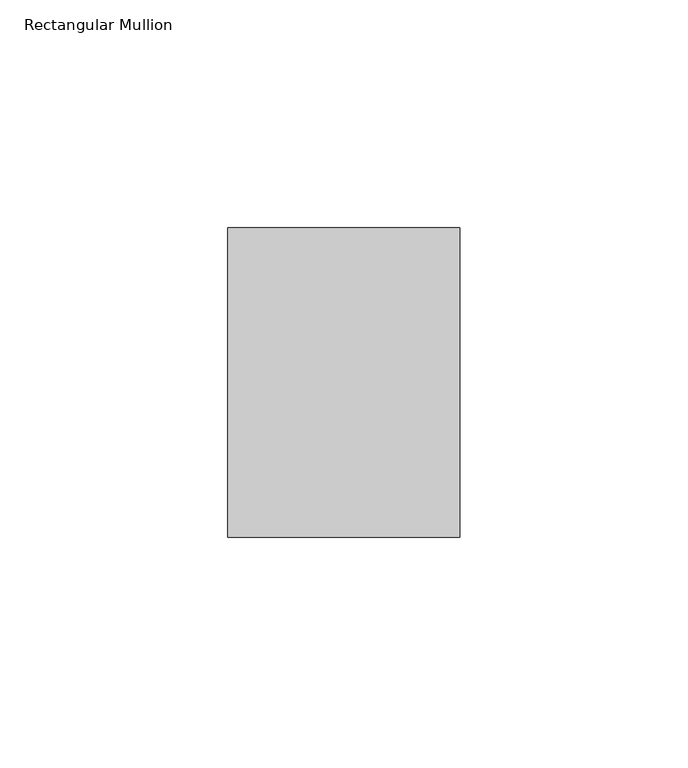
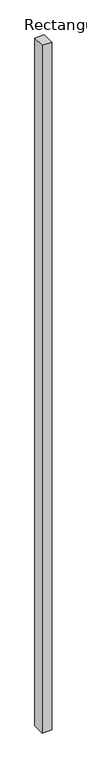
"""IFC4 building model written with IfcOpenShell, lengths in millimetres: member geometry, Rectangular Mullion."""

import ifcopenshell
import ifcopenshell.guid

model = None  # the IFC model being written
_history = None  # IfcOwnerHistory: only IFC2X3 demands one
_inside = {}  # id of a spatial element -> (the spatial element, [elements in it])
_under = {}  # id of a project, library or spatial element -> (it, [spatial elements below it])
_declared = {}  # id of a project -> (the project, [libraries it declares])
_typed = {}  # id of a type object -> (the type object, [elements of that type])
_made_of = {}  # id of a material, layer set ... -> (it, [elements and type objects made of it])


def new_model(schema):
    """Start an empty IFC model of exactly this schema.

    Asked for "IFC4X3", IfcOpenShell would pick the latest addendum, in which some entities
    have other attributes; the version numbers below select the first issue.
    IFC2X3 requires an IfcOwnerHistory on every rooted entity: one is made here for all.
    """
    global model, _history
    if schema == "IFC4X3":
        model = ifcopenshell.file(schema_version=(4, 3, 0, 0))
    else:
        model = ifcopenshell.file(schema=schema)
    _inside.clear()
    _under.clear()
    _declared.clear()
    _typed.clear()
    _made_of.clear()
    _history = None
    if model.schema == "IFC2X3":
        org = make("IfcOrganization", Name="unknown")
        user = make(
            "IfcPersonAndOrganization",
            ThePerson=make("IfcPerson", FamilyName="unknown"),
            TheOrganization=org,
        )
        app = make(
            "IfcApplication",
            ApplicationDeveloper=org,
            Version="unknown",
            ApplicationFullName="unknown",
            ApplicationIdentifier="unknown",
        )
        _history = make(
            "IfcOwnerHistory",
            OwningUser=user,
            OwningApplication=app,
            ChangeAction="ADDED",
            CreationDate=0,
        )
    return model


def make(cls, **values):
    """One entity of the class cls with the attributes given. An attribute that is None is left unset."""
    return model.create_entity(
        cls, **{name: value for name, value in values.items() if value is not None}
    )


def rooted(cls, **values):
    """An entity with a GlobalId (a new one), such as an element, a storey or a relation."""
    return make(cls, GlobalId=ifcopenshell.guid.new(), OwnerHistory=_history, **values)


def si_unit(unit_type, name, prefix=None):
    """IfcSIUnit, for example si_unit("LENGTHUNIT", "METRE", prefix="MILLI")."""
    return make("IfcSIUnit", UnitType=unit_type, Prefix=prefix, Name=name)


def assignment(units):
    """IfcUnitAssignment: the units of a project."""
    return None if units is None else make("IfcUnitAssignment", Units=units)


def point(xyz):
    """IfcCartesianPoint."""
    return None if xyz is None else make("IfcCartesianPoint", Coordinates=xyz)


def direction(xyz):
    """IfcDirection."""
    return None if xyz is None else make("IfcDirection", DirectionRatios=xyz)


def frame(location, z_axis=None, x_axis=None):
    """IfcAxis2Placement3D, a coordinate frame: its origin and axes. An axis left out is left unset."""
    return make(
        "IfcAxis2Placement3D",
        Location=point(location),
        Axis=direction(z_axis),
        RefDirection=direction(x_axis),
    )


def origin():
    """The frame at (0, 0, 0) with its axes left unset."""
    return frame((0.0, 0.0, 0.0))


def place(relative_to, where):
    """IfcLocalPlacement: puts the frame where relative to a parent placement (None: the world)."""
    return make(
        "IfcLocalPlacement", PlacementRelTo=relative_to, RelativePlacement=where
    )


def context(
    kind, dimensions, precision=None, world=None, true_north=None, identifier=None
):
    """IfcGeometricRepresentationContext, for example the 3D "Model" context."""
    return make(
        "IfcGeometricRepresentationContext",
        ContextIdentifier=identifier,
        ContextType=kind,
        CoordinateSpaceDimension=dimensions,
        Precision=precision,
        WorldCoordinateSystem=world,
        TrueNorth=true_north,
    )


def project(units=None, contexts=None):
    """IfcProject with its units and contexts."""
    return rooted(
        "IfcProject",
        Name="project",
        RepresentationContexts=contexts,
        UnitsInContext=assignment(units),
    )


def spatial(cls, under=None, at=None, **own):
    """A site, building, storey or space (cls), placed at a placement, below another one or the project."""
    s = rooted(cls, ObjectPlacement=at, **own)
    if under is not None:
        _under.setdefault(under.id(), (under, []))[1].append(s)
    return s


def polyline(points):
    """IfcPolyline through the points."""
    return make("IfcPolyline", Points=[point(p) for p in points])


def outline(outer, holes=None, kind="AREA"):
    """IfcArbitraryClosedProfileDef: a profile drawn as a closed curve; with holes, ...WithVoids."""
    if holes is None:
        return make("IfcArbitraryClosedProfileDef", ProfileType=kind, OuterCurve=outer)
    return make(
        "IfcArbitraryProfileDefWithVoids",
        ProfileType=kind,
        OuterCurve=outer,
        InnerCurves=holes,
    )


def extrude(swept, where, along, depth):
    """IfcExtrudedAreaSolid: the profile swept, set in the frame where, extruded along a direction by depth."""
    return make(
        "IfcExtrudedAreaSolid",
        SweptArea=swept,
        Position=where,
        ExtrudedDirection=direction(along),
        Depth=depth,
    )


def shape(context_of_items, identifier, shape_type, items):
    """IfcShapeRepresentation: the items that make up one representation, for example the "Body"."""
    return make(
        "IfcShapeRepresentation",
        ContextOfItems=context_of_items,
        RepresentationIdentifier=identifier,
        RepresentationType=shape_type,
        Items=items,
    )


def source(mapping_origin, context_of_items, identifier, shape_type, items):
    """IfcRepresentationMap: a shape defined once, which mapped items show again and again."""
    return make(
        "IfcRepresentationMap",
        MappingOrigin=mapping_origin,
        MappedRepresentation=shape(context_of_items, identifier, shape_type, items),
    )


def transform(
    local_origin,
    x_axis=None,
    y_axis=None,
    z_axis=None,
    scale=None,
    scale2=None,
    scale3=None,
    uniform=True,
):
    """IfcCartesianTransformationOperator3D, or its non-uniform kind. x_axis, y_axis, z_axis: its Axis1, 2, 3."""
    if uniform:
        return make(
            "IfcCartesianTransformationOperator3D",
            Axis1=direction(x_axis),
            Axis2=direction(y_axis),
            LocalOrigin=point(local_origin),
            Scale=scale,
            Axis3=direction(z_axis),
        )
    return make(
        "IfcCartesianTransformationOperator3DnonUniform",
        Axis1=direction(x_axis),
        Axis2=direction(y_axis),
        LocalOrigin=point(local_origin),
        Scale=scale,
        Axis3=direction(z_axis),
        Scale2=scale2,
        Scale3=scale3,
    )


def mapped(mapping_source, mapping_target):
    """IfcMappedItem: shows the shape of a source again, moved by a transform."""
    return make(
        "IfcMappedItem", MappingSource=mapping_source, MappingTarget=mapping_target
    )


def made_of(thing, what):
    """Note that an element or type object is made of a material, layer set ...; save() writes the relation."""
    if what is not None:
        _made_of.setdefault(what.id(), (what, []))[1].append(thing)
    return thing


def element(
    cls,
    number,
    at=None,
    inside=None,
    cuts=None,
    type_object=None,
    material=None,
    context=None,
    identifier="Body",
    shape_type=None,
    held_by="IfcProductDefinitionShape",
    body=None,
    shapes=None,
    **own,
):
    """One element of the class cls, such as IfcWall. Its Tag is "e" and its number.

    at: its placement. inside: the storey or other place that contains it. cuts: it is an
    opening in that element (IfcRelVoidsElement). A single representation is given by context,
    identifier, shape_type and body (its items); several are given by shapes. held_by: the class
    of the entity that holds the representations. save() writes the other relations.
    """
    e = rooted(cls, Tag="e%d" % number, ObjectPlacement=at, **own)
    if body is not None:
        shapes = [shape(context, identifier, shape_type, body)]
    if shapes is not None:
        e.Representation = make(held_by, Representations=shapes)
    if inside is not None:
        _inside.setdefault(inside.id(), (inside, []))[1].append(e)
    if cuts is not None:
        rooted(
            "IfcRelVoidsElement", RelatingBuildingElement=cuts, RelatedOpeningElement=e
        )
    if type_object is not None:
        _typed.setdefault(type_object.id(), (type_object, []))[1].append(e)
    return made_of(e, material)


def aggregate(whole, parts):
    """IfcRelAggregates: a whole, such as a stair, and the parts it consists of."""
    return rooted("IfcRelAggregates", RelatingObject=whole, RelatedObjects=parts)


def save(model, path):
    """Write the relations noted so far, then the file.

    IfcRelAggregates (storeys below a building ...), IfcRelContainedInSpatialStructure (elements
    in a storey), IfcRelDefinesByType, IfcRelAssociatesMaterial and IfcRelDeclares: one each for
    every whole, place, type object, material and project.
    """
    for whole, parts in _under.values():
        aggregate(whole, parts)
    for where, things in _inside.values():
        rooted(
            "IfcRelContainedInSpatialStructure",
            RelatedElements=things,
            RelatingStructure=where,
        )
    for kind, things in _typed.values():
        rooted("IfcRelDefinesByType", RelatedObjects=things, RelatingType=kind)
    for what, things in _made_of.values():
        rooted("IfcRelAssociatesMaterial", RelatedObjects=things, RelatingMaterial=what)
    for by, libraries in _declared.values():
        rooted("IfcRelDeclares", RelatingContext=by, RelatedDefinitions=libraries)
    model.write(path)


def rectangular_mullion_d0d5a2fd(model_context):
    return source(origin(), model_context, "Body", "SweptSolid", [
        extrude(outline(polyline([(0.0, 68.0), (0.0, 0.0), (-51.0, 0.0), (-51.0, 68.0), (0.0, 68.0)])), frame((0.0, 0.0, -3873.0), z_axis=(0.0, 0.0, 1.0), x_axis=(1.0, 0.0, 0.0)), (0.0, 0.0, 1.0), 3873.0),
    ])


if __name__ == "__main__":
    model = new_model("IFC4")
    model_context = context("Model", 3, world=origin())
    ifc_project = project(units=[si_unit("LENGTHUNIT", "METRE", prefix="MILLI")], contexts=[model_context])
    site = spatial("IfcSite", under=ifc_project)
    building = spatial("IfcBuilding", under=site)
    placement = place(None, origin())
    rectangular_mullion_shape = rectangular_mullion_d0d5a2fd(model_context)
    element("IfcMember", 1, ObjectType="Rectangular Mullion", at=placement, inside=building, context=model_context, shape_type="MappedRepresentation", body=[
        mapped(rectangular_mullion_shape, transform((0.0, 0.0, 0.0), x_axis=(1.0, 0.0, 0.0), y_axis=(0.0, 1.0, 0.0), z_axis=(0.0, 0.0, 1.0))),
    ])
    save(model, "model.ifc")
